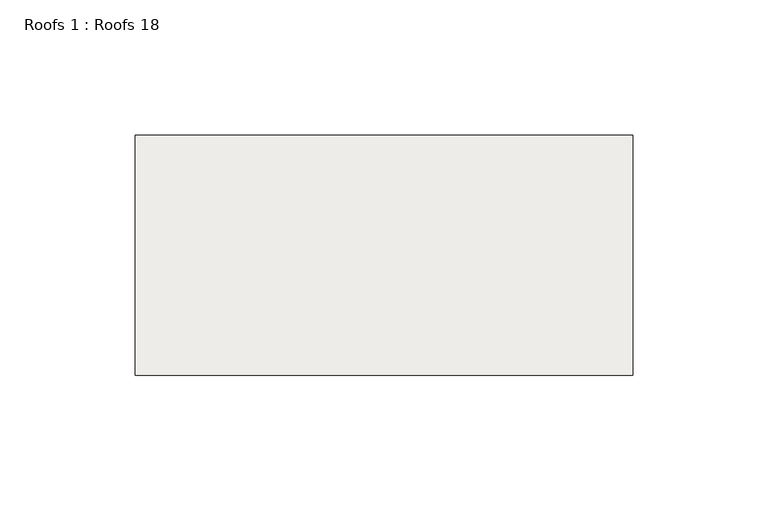
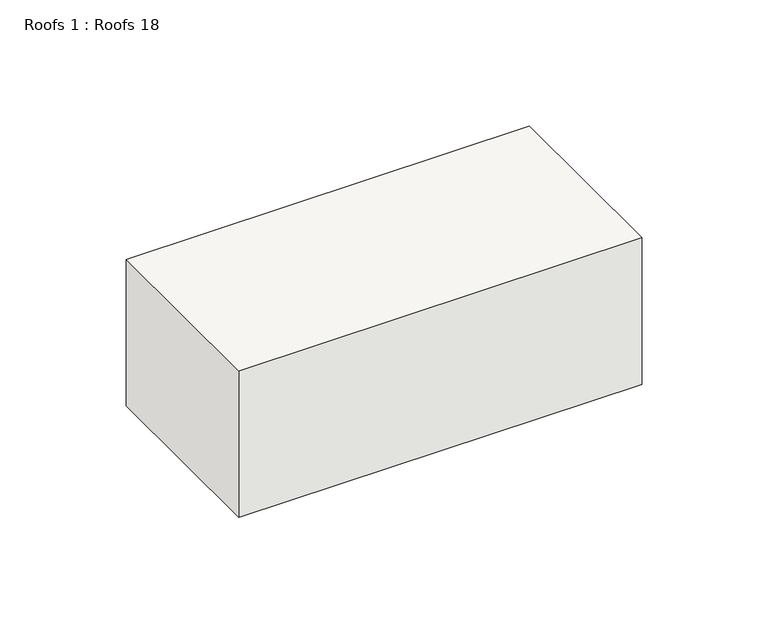
"""IFC4 building model written with IfcOpenShell, lengths in millimetres: roof geometry, Roofs 1 : Roofs 18."""

from ifc_helpers import new_model, si_unit, frame, origin, place, context, project, spatial, polyline, outline, extrude, source, transform, mapped, element, save


def roofs_1_roofs_18_32f24ac7(model_context):
    return source(origin(), model_context, "Body", "SweptSolid", [
        extrude(outline(polyline([(-1990.1104611, -8853.2708442), (-1990.1104611, -8942.1708442), (-2174.2604611, -8942.1708442), (-2174.2604611, -8853.2708442), (-1990.1104611, -8853.2708442)])), frame((0.0, 0.0, 154.9710657), z_axis=(0.0, 0.0, 1.0), x_axis=(1.0, 0.0, 0.0)), (0.0, 0.0, 1.0), 70.8274367),
    ])


if __name__ == "__main__":
    model = new_model("IFC4")
    model_context = context("Model", 3, world=origin())
    ifc_project = project(units=[si_unit("LENGTHUNIT", "METRE", prefix="MILLI")], contexts=[model_context])
    site = spatial("IfcSite", under=ifc_project)
    building = spatial("IfcBuilding", under=site)
    placement = place(None, origin())
    roofs_1_roofs_18_shape = roofs_1_roofs_18_32f24ac7(model_context)
    element("IfcRoof", 1, ObjectType="Roofs 1 : Roofs 18", at=placement, inside=building, context=model_context, shape_type="MappedRepresentation", body=[
        mapped(roofs_1_roofs_18_shape, transform((0.0, 0.0, 0.0), x_axis=(1.0, 0.0, 0.0), y_axis=(0.0, 1.0, 0.0), z_axis=(0.0, 0.0, 1.0))),
    ])
    save(model, "model.ifc")
